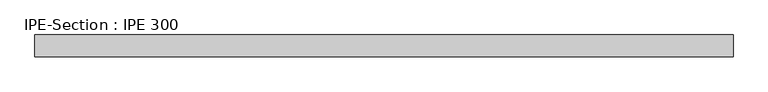
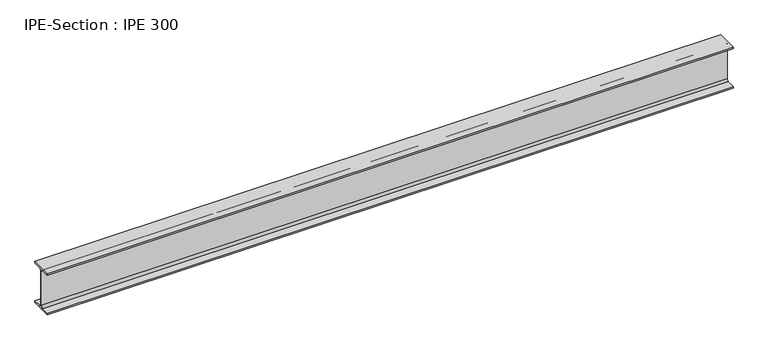
"""IFC4 building model written with IfcOpenShell, lengths in millimetres: beam geometry, IPE-Section : IPE 300."""

from ifc_helpers import new_model, si_unit, point, frame, frame_2d, origin, place, context, project, spatial, polyline, circle_curve, trimmed, segment, composite_curve, outline, extrude, source, transform, mapped, element, save


def ipe_section_ipe_300_d2e19690(model_context):
    return source(origin(), model_context, "Body", "SweptSolid", [
        extrude(outline(composite_curve([segment(polyline([(-75.0, -139.3), (-18.55, -139.3)]), True, "CONTINUOUS"), segment(trimmed(circle_curve(frame_2d((-18.55, -124.3)), 15.0), [point((-18.55, -139.3))], [point((-3.55, -124.3))], True, "CARTESIAN"), True, "CONTINUOUS"), segment(polyline([(-3.55, -124.3), (-3.55, 124.3)]), True, "CONTINUOUS"), segment(trimmed(circle_curve(frame_2d((-18.55, 124.3)), 15.0), [point((-3.55, 124.3))], [point((-18.55, 139.3))], True, "CARTESIAN"), True, "CONTINUOUS"), segment(polyline([(-18.55, 139.3), (-75.0, 139.3), (-75.0, 150.0), (75.0, 150.0), (75.0, 139.3), (18.55, 139.3)]), True, "CONTINUOUS"), segment(trimmed(circle_curve(frame_2d((18.55, 124.3)), 15.0), [point((18.55, 139.3))], [point((3.55, 124.3))], True, "CARTESIAN"), True, "CONTINUOUS"), segment(polyline([(3.55, 124.3), (3.55, -124.3)]), True, "CONTINUOUS"), segment(trimmed(circle_curve(frame_2d((18.55, -124.3)), 15.0), [point((3.55, -124.3))], [point((18.55, -139.3))], True, "CARTESIAN"), True, "CONTINUOUS"), segment(polyline([(18.55, -139.3), (75.0, -139.3), (75.0, -150.0), (-75.0, -150.0), (-75.0, -139.3)]), True, "CONTINUOUS")], self_intersect=False)), frame((-2371.2399695, 0.0, 0.0), z_axis=(1.0, 0.0, 0.0), x_axis=(0.0, 1.0, 0.0)), (0.0, 0.0, 1.0), 4770.4542283),
    ])


if __name__ == "__main__":
    model = new_model("IFC4")
    model_context = context("Model", 3, world=origin())
    ifc_project = project(units=[si_unit("LENGTHUNIT", "METRE", prefix="MILLI")], contexts=[model_context])
    site = spatial("IfcSite", under=ifc_project)
    building = spatial("IfcBuilding", under=site)
    placement = place(None, origin())
    ipe_section_ipe_300_shape = ipe_section_ipe_300_d2e19690(model_context)
    element("IfcBeam", 1, ObjectType="IPE-Section : IPE 300", at=placement, inside=building, context=model_context, shape_type="MappedRepresentation", body=[
        mapped(ipe_section_ipe_300_shape, transform((0.0, 0.0, 0.0), x_axis=(1.0, 0.0, 0.0), y_axis=(0.0, 1.0, 0.0), z_axis=(0.0, 0.0, 1.0))),
    ])
    save(model, "model.ifc")
